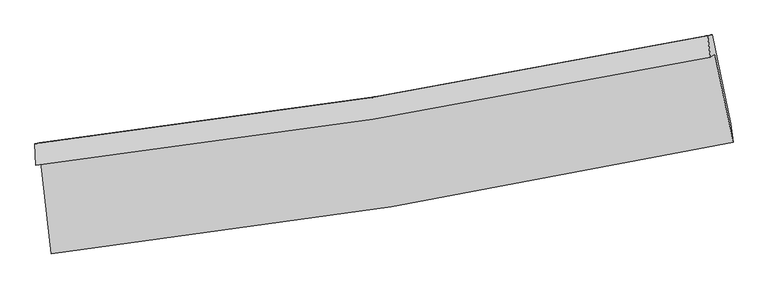
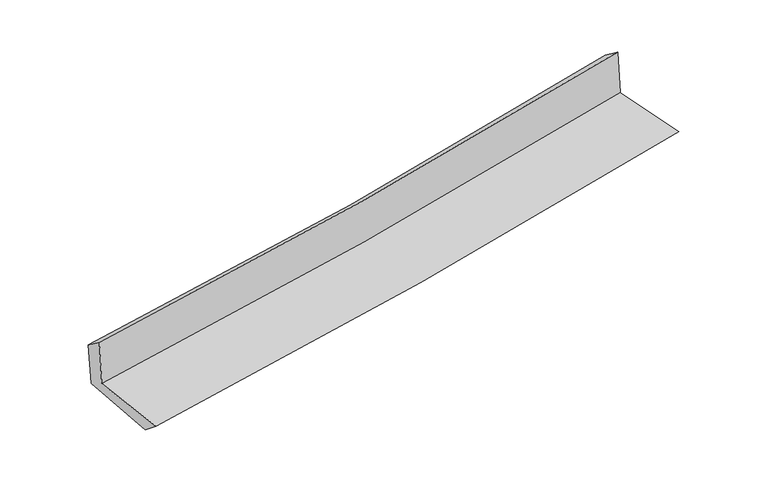
"""IFC4 building model written with IfcOpenShell, lengths in millimetres: proxy geometry."""

from ifc_helpers import new_model, si_unit, frame, origin, place, context, project, spatial, source, transform, mapped, element, save
from ifc_brep_helpers import plane_surface, spline_curve, spline_surface, advanced_brep


def generic_models_c401b90d(model_context):
    return source(origin(), model_context, "Body", "AdvancedBrep", [
        advanced_brep(
        [(-2509.4265966, -1873.57046, 1659.7977065), (-2430.6602749, -2548.9571925, 1649.6878505), (2596.7103015, -1727.5330591, 2104.3334964), (2462.5711716, -1078.7084289, 2118.7068797), (-2543.4273697, -1896.0654283, 2067.0240046), (2429.3248409, -1100.7042569, 2516.8972432), (-2550.7932973, -1738.9382601, 1947.4230884), (2408.444095, -944.1077485, 2399.1158171), (-2518.4659452, -1731.8920437, 1578.6374546), (2442.3776825, -936.7790391, 2025.3378943), (-2436.4378107, -2405.8112421, 1530.34675), (2580.3118356, -1591.2246099, 1983.0657314)],
        [
            (0, 1),
            (1, 2, spline_curve(3, [(-2430.6602749, -2548.9571925, 1649.6878505), (-1591.624717532, -2453.408347585, 1730.593526486), (-755.483547522, -2337.677693044, 1808.737363388), (920.37205035, -2064.325706146, 1960.3483228), (1760.021072356, -1906.248316103, 2033.753034238), (2596.7103015, -1727.5330591, 2104.3334964)], [4, 2, 4], [0.0, 8.297885453927849, 16.689002674220745])),
            (2, 3),
            (3, 0, spline_curve(3, [(2462.5711716, -1078.7084289, 2118.7068797), (1635.213525186, -1250.024536911, 2044.229468861), (804.870330291, -1402.184710905, 1968.527893074), (-852.528234189, -1666.715411687, 1815.531117265), (-1679.517628421, -1779.509248096, 1738.262968289), (-2509.4265966, -1873.57046, 1659.7977065)], [4, 2, 4], [0.0, 8.391117220292896, 16.689002674220745])),
            (4, 0),
            (3, 5),
            (5, 4, spline_curve(3, [(2429.3248409, -1100.7042569, 2516.8972432), (1602.11894802, -1271.919964324, 2440.602284067), (771.787631401, -1424.072279766, 2364.758442267), (-885.865504756, -1688.771405733, 2214.810664888), (-1713.118258222, -1801.73948085, 2140.696760481), (-2543.4273697, -1896.0654283, 2067.0240046)], [4, 2, 4], [0.0, 8.34285124192631, 16.593006989631114])),
            (6, 4),
            (5, 7),
            (7, 6, spline_curve(3, [(2408.444095, -944.1077485, 2399.1158171), (1584.067201159, -1115.828922315, 2318.873094461), (756.28133483, -1268.187841646, 2240.913074982), (-896.873127463, -1532.703476908, 2090.399275212), (-1722.166392238, -1645.288061252, 2017.795051862), (-2550.7932973, -1738.9382601, 1947.4230884)], [4, 2, 4], [0.0, 8.332014324181591, 16.571453560633064])),
            (8, 6),
            (7, 9),
            (9, 8, spline_curve(3, [(2442.3776825, -936.7790391, 2025.3378943), (1617.279558794, -1108.653470254, 1950.880581205), (788.999739411, -1261.112395308, 1876.217791828), (-864.685112266, -1525.721017979, 1727.313104589), (-1690.019835916, -1638.299761241, 1653.0757474), (-2518.4659452, -1731.8920437, 1578.6374546)], [4, 2, 4], [0.0, 8.32213414692479, 16.551802982488148])),
            (10, 8),
            (9, 11),
            (11, 10, spline_curve(3, [(2580.3118356, -1591.2246099, 1983.0657314), (1745.586926461, -1766.770975872, 1907.55737155), (907.809571679, -1922.696595938, 1831.864830062), (-764.507763668, -2193.791892469, 1680.954432891), (-1598.980291025, -2309.395149772, 1605.740647202), (-2436.4378107, -2405.8112421, 1530.34675)], [4, 2, 4], [0.0, 8.371438639593682, 16.64986415698971])),
            (1, 10),
            (11, 2),
        ],
        [
            spline_surface(3, 3, [[(-2509.4265966, -1873.57046, 1659.7977065), (-1679.517628446, -1779.509248051, 1738.262968256), (-852.528234115, -1666.715411714, 1815.531117129), (804.870330215, -1402.184710878, 1968.527893212), (1635.213525268, -1250.024536857, 2044.22946877), (2462.5711716, -1078.7084289, 2118.7068797)], [(-2483.171156047, -2098.699370806, 1656.42775449), (-1650.219991512, -2004.142281218, 1735.706487629), (-820.180005254, -1890.369505497, 1813.266532595), (843.370903599, -1622.898375934, 1965.801369701), (1676.816040964, -1468.765796607, 2040.737323917), (2507.284214873, -1294.983305636, 2113.915751945)], [(-2456.915715453, -2323.828281694, 1653.05780251), (-1620.922354538, -2228.775314467, 1733.150007031), (-787.831776395, -2114.02359932, 1811.001948051), (881.87147698, -1843.61204103, 1963.07484618), (1718.41855674, -1687.50705635, 2037.245179029), (2551.997258227, -1511.258182364, 2109.124624155)], [(-2430.6602749, -2548.9571925, 1649.6878505), (-1591.624717604, -2453.408347634, 1730.593526404), (-755.483547534, -2337.677693102, 1808.737363517), (920.372050363, -2064.325706086, 1960.348322669), (1760.021072436, -1906.248316101, 2033.753034176), (2596.7103015, -1727.5330591, 2104.3334964)]], [4, 4], [4, 2, 4], [0.0, 2.2144996102644567], [0.0, 8.297885453927849, 16.689002674220745]),
            spline_surface(3, 3, [[(-2543.4273697, -1896.0654283, 2067.0240046), (-1713.118258167, -1801.739480822, 2140.696760415), (-885.865504719, -1688.771405716, 2214.810664883), (771.787631364, -1424.072279782, 2364.758442272), (1602.118948146, -1271.919964436, 2440.602283957), (2429.3248409, -1100.7042569, 2516.8972432)], [(-2532.093778665, -1888.567105535, 1931.281905242), (-1701.918048258, -1794.329403234, 2006.552163037), (-874.753081175, -1681.419407733, 2081.717482305), (782.815197658, -1416.776423498, 2232.681592592), (1613.150473878, -1264.621488581, 2308.478012198), (2440.406951158, -1093.372314238, 2384.167122004)], [(-2520.760187635, -1881.068782765, 1795.539805858), (-1690.717838355, -1786.919325639, 1872.407565634), (-863.640657659, -1674.067409697, 1948.624299707), (793.842763922, -1409.480567162, 2100.604742892), (1624.181999536, -1257.323012712, 2176.353740528), (2451.489061342, -1086.040371562, 2251.437000896)], [(-2509.4265966, -1873.57046, 1659.7977065), (-1679.517628446, -1779.509248051, 1738.262968256), (-852.528234115, -1666.715411714, 1815.531117129), (804.870330215, -1402.184710878, 1968.527893212), (1635.213525268, -1250.024536857, 2044.22946877), (2462.5711716, -1078.7084289, 2118.7068797)]], [4, 4], [4, 2, 4], [0.0, 1.3114382591633063], [0.0, 8.250155747704804, 16.593006989631114]),
            spline_surface(3, 3, [[(-2550.7932973, -1738.9382601, 1947.4230884), (-1722.166392249, -1645.288061215, 2017.795051961), (-896.873127587, -1532.703476795, 2090.399275332), (756.281334955, -1268.187841761, 2240.913074861), (1584.06720105, -1115.828922292, 2318.873094376), (2408.444095, -944.1077485, 2399.1158171)], [(-2548.337988088, -1791.31398285, 1987.290060455), (-1719.150347543, -1697.438534435, 2058.762288101), (-893.203919962, -1584.726119761, 2131.869738505), (761.450100427, -1320.149321094, 2282.194863987), (1590.084450074, -1167.859269671, 2359.449490907), (2415.404343625, -996.306584631, 2438.376292471)], [(-2545.882678912, -1843.68970555, 2027.157032545), (-1716.134302872, -1749.589007603, 2099.729524275), (-889.534712344, -1636.748762749, 2173.34020171), (766.618865893, -1372.110800449, 2323.476653146), (1596.101699122, -1219.889617057, 2400.025887425), (2422.364592275, -1048.505420769, 2477.636767829)], [(-2543.4273697, -1896.0654283, 2067.0240046), (-1713.118258167, -1801.739480822, 2140.696760415), (-885.865504719, -1688.771405716, 2214.810664883), (771.787631364, -1424.072279782, 2364.758442272), (1602.118948146, -1271.919964436, 2440.602283957), (2429.3248409, -1100.7042569, 2516.8972432)]], [4, 4], [4, 2, 4], [0.0, 0.6554433380633439], [0.0, 8.239439236451473, 16.571453560633064]),
            spline_surface(3, 3, [[(-2518.4659452, -1731.8920437, 1578.6374546), (-1690.019835856, -1638.299761163, 1653.075747379), (-864.685112391, -1525.721017945, 1727.313104611), (788.999739537, -1261.112395343, 1876.217791805), (1617.279558689, -1108.653470342, 1950.880581149), (2442.3776825, -936.7790391, 2025.3378943)], [(-2529.241729254, -1734.240782503, 1701.565999199), (-1700.735354674, -1640.629194516, 1774.648848906), (-875.414450792, -1528.048504249, 1848.341828198), (778.093604674, -1263.470877503, 1997.78288617), (1606.208772819, -1111.045287664, 2073.544752236), (2431.066486676, -939.221942239, 2149.930535245)], [(-2540.017513246, -1736.589521297, 1824.494543801), (-1711.450873431, -1642.958627862, 1896.221950435), (-886.143789186, -1530.375990491, 1969.370551745), (767.187469818, -1265.829359601, 2119.347980495), (1595.13798692, -1113.43710497, 2196.208923289), (2419.755290824, -941.664845361, 2274.523176155)], [(-2550.7932973, -1738.9382601, 1947.4230884), (-1722.166392249, -1645.288061215, 2017.795051961), (-896.873127587, -1532.703476795, 2090.399275332), (756.281334955, -1268.187841761, 2240.913074861), (1584.06720105, -1115.828922292, 2318.873094376), (2408.444095, -944.1077485, 2399.1158171)]], [4, 4], [4, 2, 4], [0.0, 1.1988585342610214], [0.0, 8.229668835563357, 16.551802982488148]),
            spline_surface(3, 3, [[(-2436.4378107, -2405.8112421, 1530.34675), (-1598.980290922, -2309.395149731, 1605.740647154), (-764.507763648, -2193.79189241, 1680.954432874), (907.809571659, -1922.696595998, 1831.864830079), (1745.586926506, -1766.770975926, 1907.557371469), (2580.3118356, -1591.2246099, 1983.0657314)], [(-2463.780522198, -2181.171509289, 1546.443651541), (-1629.326805898, -2085.696686864, 1621.519013904), (-797.90021324, -1971.101600892, 1696.407323455), (868.206294274, -1702.168529084, 1846.649150656), (1702.817803887, -1547.398474067, 1921.998441354), (2534.333784553, -1373.076086302, 1997.156452358)], [(-2491.123233702, -1956.531776511, 1562.540553059), (-1659.67332088, -1861.99822403, 1637.297380629), (-831.292662799, -1748.411309463, 1711.86021403), (828.603016922, -1481.640462257, 1861.433471227), (1660.048681308, -1328.025972202, 1936.439511264), (2488.355733547, -1154.927562698, 2011.247173342)], [(-2518.4659452, -1731.8920437, 1578.6374546), (-1690.019835856, -1638.299761163, 1653.075747379), (-864.685112391, -1525.721017945, 1727.313104611), (788.999739537, -1261.112395343, 1876.217791805), (1617.279558689, -1108.653470342, 1950.880581149), (2442.3776825, -936.7790391, 2025.3378943)]], [4, 4], [4, 2, 4], [0.0, 2.2155150963720738], [0.0, 8.278425517396029, 16.64986415698971]),
            spline_surface(3, 3, [[(-2430.6602749, -2548.9571925, 1649.6878505), (-1591.624717604, -2453.408347634, 1730.593526404), (-755.483547534, -2337.677693102, 1808.737363517), (920.372050363, -2064.325706086, 1960.348322669), (1760.021072436, -1906.248316101, 2033.753034176), (2596.7103015, -1727.5330591, 2104.3334964)], [(-2432.586120147, -2501.241875717, 1609.907483672), (-1594.076575357, -2405.40394835, 1688.975899993), (-758.491619571, -2289.71575955, 1766.143053287), (916.184557462, -2017.116002735, 1917.52049179), (1755.209690473, -1859.755869364, 1991.687813284), (2591.244146214, -1682.096909355, 2063.910908077)], [(-2434.511965453, -2453.526558883, 1570.127116828), (-1596.528433169, -2357.399549016, 1647.358273566), (-761.499691611, -2241.753825963, 1723.548743104), (911.997064559, -1969.906299349, 1874.692660957), (1750.398308469, -1813.263422663, 1949.622592362), (2585.777990886, -1636.660759645, 2023.488319723)], [(-2436.4378107, -2405.8112421, 1530.34675), (-1598.980290922, -2309.395149731, 1605.740647154), (-764.507763648, -2193.79189241, 1680.954432874), (907.809571659, -1922.696595998, 1831.864830079), (1745.586926506, -1766.770975926, 1907.557371469), (2580.3118356, -1591.2246099, 1983.0657314)]], [4, 4], [4, 2, 4], [0.0, 0.6303316476299099], [0.0, 8.335925027094824, 16.76550921818724]),
            plane_surface(frame((2486.6233212, -1229.8428571, 2191.2428437), z_axis=(0.9754984118334988, 0.1996276360972123, 0.09247516107885674), x_axis=(-0.09039636289448459, -0.019523095707258076, 0.9957144903582823))),
            plane_surface(frame((-2498.2018824, -2032.5391045, 1738.8194758), z_axis=(-0.9894860146461029, -0.11406685228722589, -0.08891670275632618), x_axis=(-0.1158261154453529, 0.9931582431604826, 0.01486657402441814))),
        ],
        [
            (0, [[1, 2, 3, 4]]),
            (1, [[5, -4, 6, 7]]),
            (2, [[8, -7, 9, 10]]),
            (3, [[11, -10, 12, 13]]),
            (4, [[14, -13, 15, 16]]),
            (5, [[17, -16, 18, -2]]),
            (6, [[-12, -9, -6, -3, -18, -15]]),
            (7, [[-1, -5, -8, -11, -14, -17]]),
        ],
    ),
    ])


if __name__ == "__main__":
    model = new_model("IFC4")
    model_context = context("Model", 3, world=origin())
    ifc_project = project(units=[si_unit("LENGTHUNIT", "METRE", prefix="MILLI")], contexts=[model_context])
    site = spatial("IfcSite", under=ifc_project)
    building = spatial("IfcBuilding", under=site)
    placement = place(None, origin())
    generic_models_shape = generic_models_c401b90d(model_context)
    element("IfcBuildingElementProxy", 1, Name="Generic Models", at=placement, inside=building, context=model_context, shape_type="MappedRepresentation", body=[
        mapped(generic_models_shape, transform((0.0, 0.0, 0.0), x_axis=(1.0, 0.0, 0.0), y_axis=(0.0, 1.0, 0.0), z_axis=(0.0, 0.0, 1.0))),
    ])
    save(model, "model.ifc")
